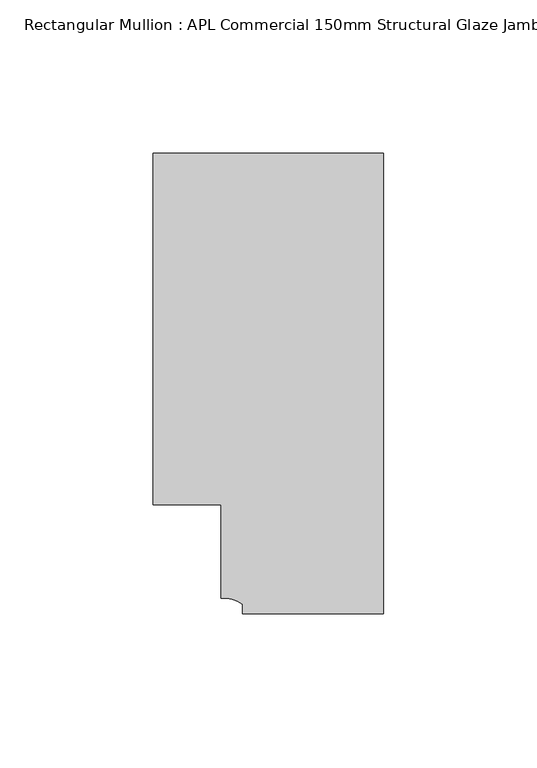
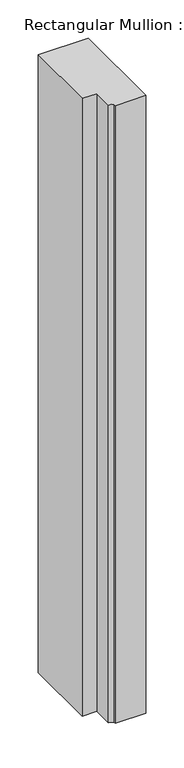
"""IFC4 building model written with IfcOpenShell, lengths in millimetres: member geometry, Rectangular Mullion : APL Commercial 150mm Structural Glaze Jamb Frame (left)."""

from ifc_helpers import new_model, si_unit, point, frame, frame_2d, origin, place, context, project, spatial, polyline, circle_curve, trimmed, segment, composite_curve, outline, extrude, source, transform, mapped, element, save


def rectangular_mullion_apl_commercial_150mm_structural_glaze_49bdefde(model_context):
    return source(origin(), model_context, "Body", "SweptSolid", [
        extrude(outline(composite_curve([segment(polyline([(0.0, -20.5), (-45.9999842, -20.5), (-45.9999842, -17.3125325)]), True, "CONTINUOUS"), segment(trimmed(circle_curve(frame_2d((-52.1098019, -25.7981812)), 10.4563907), [point((-45.9999842, -17.3125325))], [point((-52.9999391, -15.3797475))], True, "CARTESIAN"), True, "CONTINUOUS"), segment(polyline([(-52.9999391, -15.3797475), (-52.9999391, 15.0000829), (-75.0, 15.0000829), (-75.0, 129.4999988), (0.0, 129.4999988), (0.0, -20.5)]), True, "CONTINUOUS")], self_intersect=False)), frame((0.0, 0.0, -983.8021523), z_axis=(0.0, 0.0, 1.0), x_axis=(1.0, 0.0, 0.0)), (0.0, 0.0, 1.0), 983.8021523),
    ])


if __name__ == "__main__":
    model = new_model("IFC4")
    model_context = context("Model", 3, world=origin())
    ifc_project = project(units=[si_unit("LENGTHUNIT", "METRE", prefix="MILLI")], contexts=[model_context])
    site = spatial("IfcSite", under=ifc_project)
    building = spatial("IfcBuilding", under=site)
    placement = place(None, origin())
    rectangular_mullion_apl_commercial_150mm_structural_glaze_shape = rectangular_mullion_apl_commercial_150mm_structural_glaze_49bdefde(model_context)
    element("IfcMember", 1, ObjectType="Rectangular Mullion : APL Commercial 150mm Structural Glaze Jamb Frame (left)", at=placement, inside=building, context=model_context, shape_type="MappedRepresentation", body=[
        mapped(rectangular_mullion_apl_commercial_150mm_structural_glaze_shape, transform((0.0, 0.0, 0.0), x_axis=(1.0, 0.0, 0.0), y_axis=(0.0, 1.0, 0.0), z_axis=(0.0, 0.0, 1.0))),
    ])
    save(model, "model.ifc")
